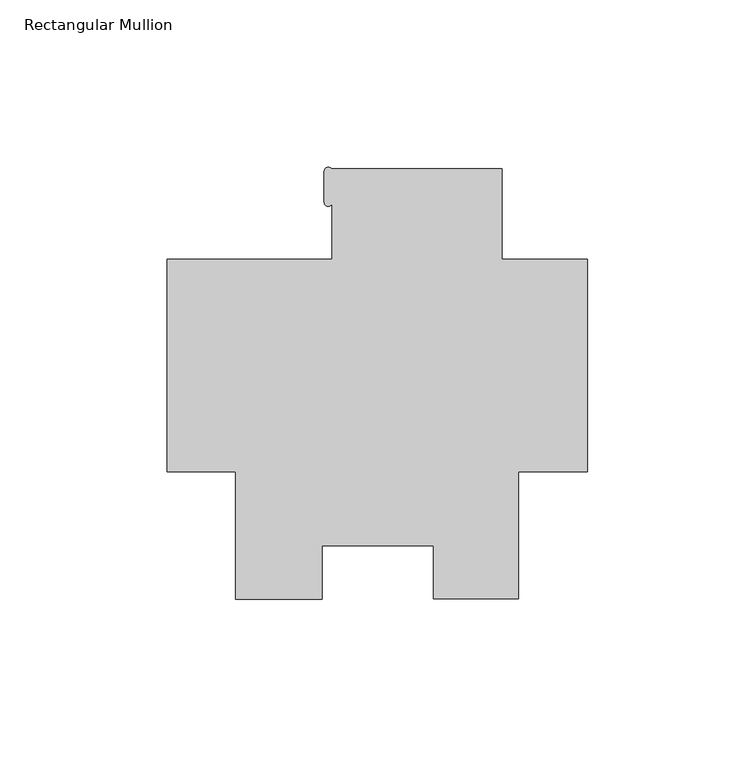
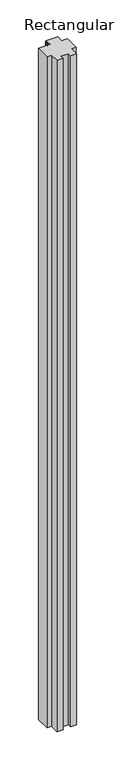
"""IFC4 building model written with IfcOpenShell, lengths in millimetres: member geometry, Rectangular Mullion."""

from ifc_helpers import new_model, si_unit, point, frame, frame_2d, origin, place, context, project, spatial, polyline, circle_curve, trimmed, segment, composite_curve, outline, extrude, source, transform, mapped, element, save


def rectangular_mullion_63508434(model_context):
    return source(origin(), model_context, "Body", "SweptSolid", [
        extrude(outline(composite_curve([segment(polyline([(-25.577927, 58.7248001), (-25.577927, 31.7500001), (0.0, 31.7500001), (0.0, -31.75), (-20.6735973, -31.75), (-20.6735973, -69.85), (-46.0042659, -69.85), (-46.0042659, -53.9624751), (-79.3959182, -53.9624751), (-79.3959182, -69.8732034), (-105.2447888, -69.8732034), (-105.2447888, -31.75), (-125.7808, -31.75), (-125.7808, 31.7500001), (-76.377927, 31.7500001), (-76.377927, 48.7042635)]), True, "CONTINUOUS"), segment(trimmed(circle_curve(frame_2d((-77.571473, 48.7288884)), 1.1938), [point((-76.377927, 48.7042635))], [point((-78.765273, 48.7288884))], False, "CARTESIAN"), True, "CONTINUOUS"), segment(polyline([(-78.765273, 48.7288884), (-78.765273, 58.0542437)]), True, "CONTINUOUS"), segment(trimmed(circle_curve(frame_2d((-77.571473, 58.0542437)), 1.1938), [point((-78.765273, 58.0542437))], [point((-76.5837926, 58.7248001))], False, "CARTESIAN"), True, "CONTINUOUS"), segment(polyline([(-76.5837926, 58.7248001), (-25.577927, 58.7248001)]), True, "CONTINUOUS")], self_intersect=False)), frame((0.0, 0.0, -3048.0), z_axis=(0.0, 0.0, 1.0), x_axis=(1.0, 0.0, 0.0)), (0.0, 0.0, 1.0), 3048.0),
    ])


if __name__ == "__main__":
    model = new_model("IFC4")
    model_context = context("Model", 3, world=origin())
    ifc_project = project(units=[si_unit("LENGTHUNIT", "METRE", prefix="MILLI")], contexts=[model_context])
    site = spatial("IfcSite", under=ifc_project)
    building = spatial("IfcBuilding", under=site)
    placement = place(None, origin())
    rectangular_mullion_shape = rectangular_mullion_63508434(model_context)
    element("IfcMember", 1, ObjectType="Rectangular Mullion", at=placement, inside=building, context=model_context, shape_type="MappedRepresentation", body=[
        mapped(rectangular_mullion_shape, transform((0.0, 0.0, 0.0), x_axis=(1.0, 0.0, 0.0), y_axis=(0.0, 1.0, 0.0), z_axis=(0.0, 0.0, 1.0))),
    ])
    save(model, "model.ifc")
